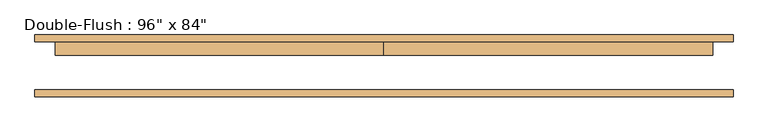
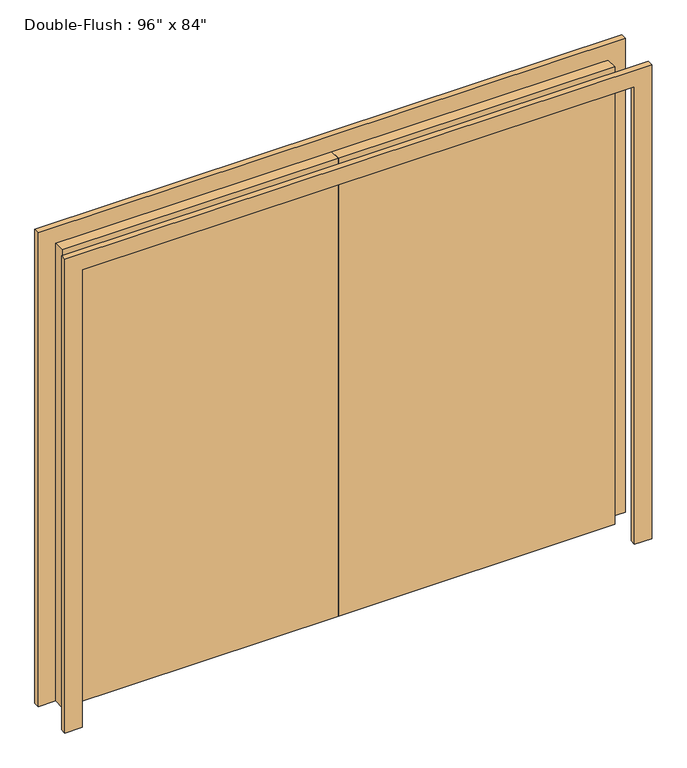
"""IFC4 building model written with IfcOpenShell, lengths in millimetres: door geometry."""

from ifc_helpers import new_model, si_unit, frame, origin, origin_with_axes, place, context, project, spatial, polyline, outline, extrude, source, transform, mapped, element, save


def door_6c6d0609(model_context):
    return source(origin(), model_context, "Body", "SweptSolid", [
        extrude(outline(polyline([(0.0, 88.9), (1219.2, 88.9), (1219.2, 38.1), (0.0, 38.1), (0.0, 88.9)])), origin_with_axes(), (0.0, 0.0, 1.0), 2133.6),
        extrude(outline(polyline([(-1219.2, 88.9), (0.0, 88.9), (0.0, 38.1), (-1219.2, 38.1), (-1219.2, 88.9)])), origin_with_axes(), (0.0, 0.0, 1.0), 2133.6),
        extrude(outline(polyline([(2133.6, -1219.2), (2133.6, 1219.2), (0.0, 1219.2), (0.0, 1295.4), (2209.8, 1295.4), (2209.8, -1295.4), (0.0, -1295.4), (0.0, -1219.2), (2133.6, -1219.2)])), frame((0.0, -114.3, 0.0), z_axis=(0.0, 1.0, 0.0), x_axis=(0.0, 0.0, 1.0)), (0.0, 0.0, 1.0), 25.4),
        extrude(outline(polyline([(2133.6, -1219.2), (2133.6, 1219.2), (0.0, 1219.2), (0.0, 1295.4), (2209.8, 1295.4), (2209.8, -1295.4), (0.0, -1295.4), (0.0, -1219.2), (2133.6, -1219.2)])), frame((0.0, 88.9, 0.0), z_axis=(0.0, 1.0, 0.0), x_axis=(0.0, 0.0, 1.0)), (0.0, 0.0, 1.0), 25.4),
    ])


if __name__ == "__main__":
    model = new_model("IFC4")
    model_context = context("Model", 3, world=origin())
    ifc_project = project(units=[si_unit("LENGTHUNIT", "METRE", prefix="MILLI")], contexts=[model_context])
    site = spatial("IfcSite", under=ifc_project)
    building = spatial("IfcBuilding", under=site)
    placement = place(None, origin())
    door_shape = door_6c6d0609(model_context)
    element("IfcDoor", 1, ObjectType="Double-Flush : 96\" x 84\"", at=placement, inside=building, context=model_context, shape_type="MappedRepresentation", body=[
        mapped(door_shape, transform((0.0, 0.0, 0.0), x_axis=(1.0, 0.0, 0.0), y_axis=(0.0, 1.0, 0.0), z_axis=(0.0, 0.0, 1.0))),
    ])
    save(model, "model.ifc")
